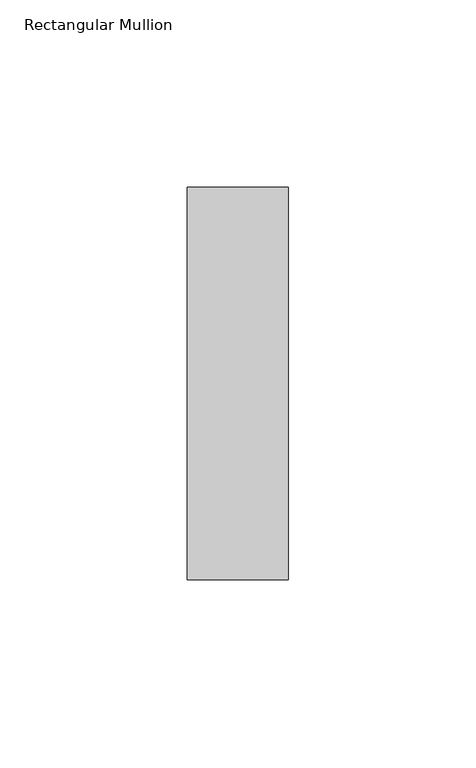
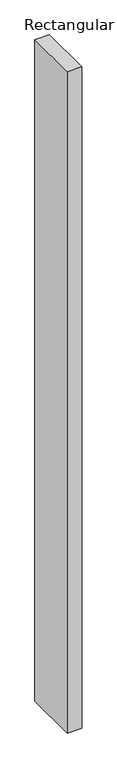
"""IFC4 building model written with IfcOpenShell, lengths in millimetres: member geometry, Rectangular Mullion."""

from ifc_helpers import new_model, si_unit, frame, origin, place, context, project, spatial, polyline, outline, extrude, source, transform, mapped, element, save


def rectangular_mullion_e16c404b(model_context):
    return source(origin(), model_context, "Body", "SweptSolid", [
        extrude(outline(polyline([(0.0, 52.3975), (0.0, -52.3975), (-27.0, -52.3975), (-27.0, 52.3975), (0.0, 52.3975)])), frame((0.0, 0.0, -1310.0), z_axis=(0.0, 0.0, 1.0), x_axis=(1.0, 0.0, 0.0)), (0.0, 0.0, 1.0), 1310.0),
    ])


if __name__ == "__main__":
    model = new_model("IFC4")
    model_context = context("Model", 3, world=origin())
    ifc_project = project(units=[si_unit("LENGTHUNIT", "METRE", prefix="MILLI")], contexts=[model_context])
    site = spatial("IfcSite", under=ifc_project)
    building = spatial("IfcBuilding", under=site)
    placement = place(None, origin())
    rectangular_mullion_shape = rectangular_mullion_e16c404b(model_context)
    element("IfcMember", 1, ObjectType="Rectangular Mullion", at=placement, inside=building, context=model_context, shape_type="MappedRepresentation", body=[
        mapped(rectangular_mullion_shape, transform((0.0, 0.0, 0.0), x_axis=(1.0, 0.0, 0.0), y_axis=(0.0, 1.0, 0.0), z_axis=(0.0, 0.0, 1.0))),
    ])
    save(model, "model.ifc")
